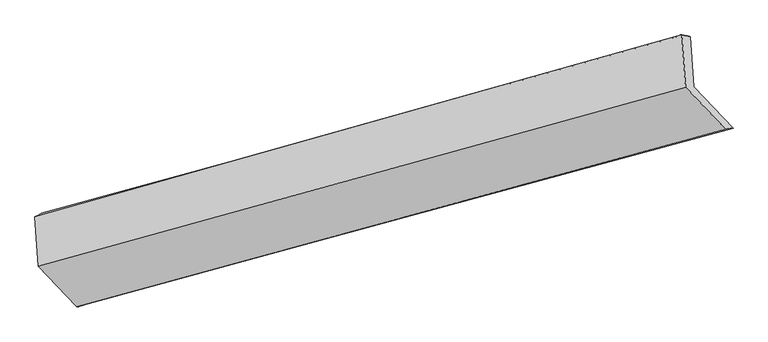
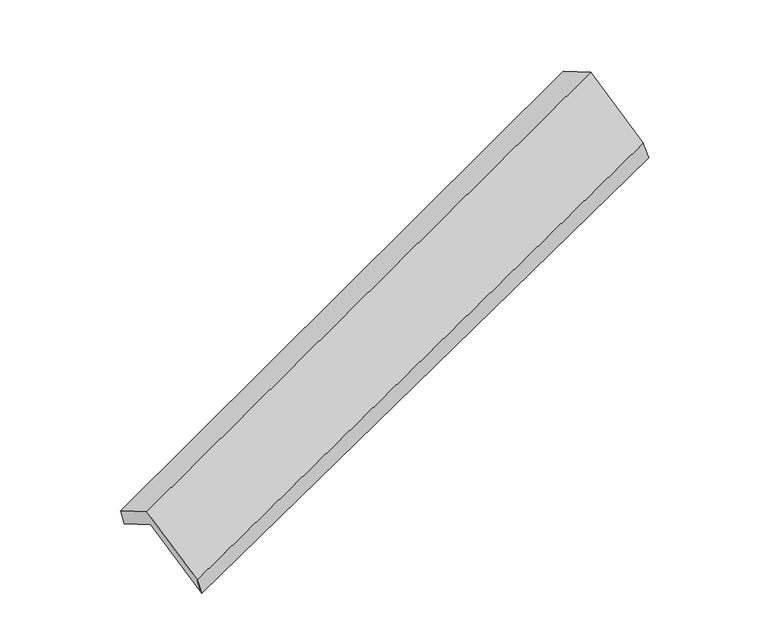
"""IFC4 building model written with IfcOpenShell, lengths in millimetres: proxy geometry."""

from ifc_helpers import new_model, si_unit, frame, origin, place, context, project, spatial, source, transform, mapped, element, save
from ifc_brep_helpers import plane_surface, spline_surface, advanced_brep


def generic_models_fc9a1034(model_context):
    return source(origin(), model_context, "Body", "AdvancedBrep", [
        advanced_brep(
        [(-5135.1801072, -2126.5121655, 1305.8239387), (-5159.279185, -1783.3234602, 1114.1467692), (-721.047964, -573.6061388, 2691.260223), (-696.9488862, -916.7948441, 2882.9373925), (-5204.0821856, -1806.753651, 1258.1580824), (-779.4349808, -562.5051348, 2847.4399825), (-5180.2748988, -2145.787037, 1447.5144301), (-754.4038519, -918.9669375, 3046.5304197), (-4919.0287082, -2422.0189715, 920.0886938), (-481.1034477, -1207.9445459, 2494.7686253), (-4871.8481194, -2404.9495438, 774.18722), (-429.5988272, -1199.4807804, 2343.1886544)],
        [
            (0, 1),
            (1, 2),
            (2, 3),
            (3, 0),
            (1, 4),
            (4, 5),
            (5, 2),
            (4, 6),
            (6, 7),
            (7, 5),
            (6, 8),
            (8, 9),
            (9, 7),
            (8, 10),
            (10, 11),
            (11, 9),
            (10, 0),
            (3, 11),
        ],
        [
            plane_surface(frame((-5147.2296461, -1954.9178128, 1209.9853539), z_axis=(0.40368512269093604, -0.42435067784059494, -0.810533666132525), x_axis=(-0.06119210295268887, 0.8714208383234809, -0.48670447817112716))),
            spline_surface(1, 1, [[(-5159.279185, -1783.3234602, 1114.1467692), (-721.047964, -573.6061388, 2691.260223)], [(-5204.0821856, -1806.753651, 1258.1580824), (-779.4349808, -562.5051348, 2847.4399825)]], [2, 2], [2, 2], [0.0, 1.0], [0.0, 1.0]),
            plane_surface(frame((-5192.1785422, -1976.270344, 1352.8362563), z_axis=(-0.4093086940696418, 0.42282460622748175, 0.8085083458614263), x_axis=(0.06119210295268858, -0.8714208383234804, 0.4867044781711284))),
            plane_surface(frame((-5049.6518035, -2283.9030042, 1183.8015619), z_axis=(0.06494926311034116, -0.8704050335730021, 0.4880334729833652), x_axis=(0.40180712148463726, -0.42485579681509533, -0.8112019409720619))),
            spline_surface(1, 1, [[(-4919.0287082, -2422.0189715, 920.0886938), (-481.1034477, -1207.9445459, 2494.7686253)], [(-4871.8481194, -2404.9495438, 774.18722), (-429.5988272, -1199.4807804, 2343.1886544)]], [2, 2], [2, 2], [0.0, 1.0], [0.0, 1.0]),
            plane_surface(frame((-5003.5141133, -2265.7308546, 1040.0055793), z_axis=(-0.06401008053040669, 0.8706603637680104, -0.4877019997435391), x_axis=(-0.40180712148463565, 0.4248557968151078, 0.8112019409720561))),
            plane_surface(frame((-643.7563263, -896.5497302, 2717.6875496), z_axis=(0.913677494338378, 0.24520047807502743, 0.3241452789897169), x_axis=(0.32127169001589034, 0.052794646962287875, -0.9455142655964854))),
            plane_surface(frame((-5078.2822007, -2114.8908048, 1136.653189), z_axis=(-0.9136774943383883, -0.24520047807493636, -0.32414527898975676), x_axis=(0.401807121484625, -0.42485579681509456, -0.8112019409720683))),
        ],
        [
            (0, [[1, 2, 3, 4]]),
            (1, [[5, 6, 7, -2]]),
            (2, [[8, 9, 10, -6]]),
            (3, [[11, 12, 13, -9]]),
            (4, [[14, 15, 16, -12]]),
            (5, [[17, -4, 18, -15]]),
            (6, [[-16, -18, -3, -7, -10, -13]]),
            (7, [[-17, -14, -11, -8, -5, -1]]),
        ],
    ),
    ])


if __name__ == "__main__":
    model = new_model("IFC4")
    model_context = context("Model", 3, world=origin())
    ifc_project = project(units=[si_unit("LENGTHUNIT", "METRE", prefix="MILLI")], contexts=[model_context])
    site = spatial("IfcSite", under=ifc_project)
    building = spatial("IfcBuilding", under=site)
    placement = place(None, origin())
    generic_models_shape = generic_models_fc9a1034(model_context)
    element("IfcBuildingElementProxy", 1, Name="Generic Models", at=placement, inside=building, context=model_context, shape_type="MappedRepresentation", body=[
        mapped(generic_models_shape, transform((0.0, 0.0, 0.0), x_axis=(1.0, 0.0, 0.0), y_axis=(0.0, 1.0, 0.0), z_axis=(0.0, 0.0, 1.0))),
    ])
    save(model, "model.ifc")
